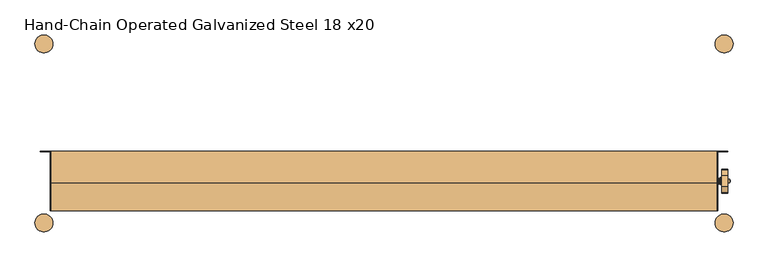
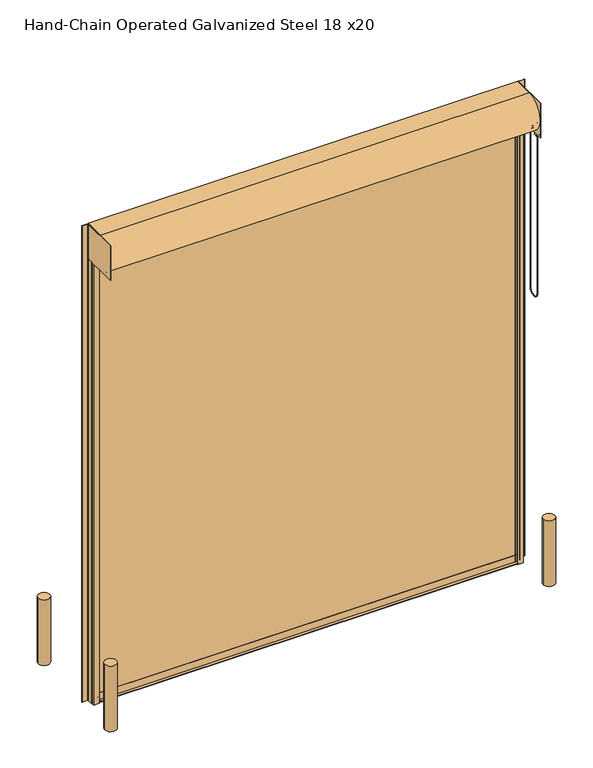
"""IFC4 building model written with IfcOpenShell, lengths in millimetres: door geometry, Hand-Chain Operated Galvanized Steel 18 x20."""

from ifc_helpers import new_model, si_unit, point, frame, frame_2d, origin, origin_with_axes, place, context, project, spatial, polyline, circle_curve, ellipse_curve, trimmed, segment, composite_curve, outline, extrude, source, transform, mapped, element, save
from ifc_brep_helpers import plane_surface, cylinder_surface, revolved_surface, advanced_brep


def hand_chain_operated_galvanized_steel_18_x20_dceb3128(model_context):
    return source(origin(), model_context, "Body", "SolidModel", [
        extrude(outline(composite_curve([segment(trimmed(circle_curve(frame_2d((-1981.2, -762.0)), 76.2), [point((-2057.4, -762.0))], [point((-1905.0, -762.0))], False, "CARTESIAN"), True, "CONTINUOUS"), segment(trimmed(circle_curve(frame_2d((-1981.2, -762.0)), 76.2), [point((-1905.0, -762.0))], [point((-2057.4, -762.0))], False, "CARTESIAN"), True, "CONTINUOUS")], self_intersect=False)), origin_with_axes(), (0.0, 0.0, 1.0), 914.4),
        extrude(outline(composite_curve([segment(trimmed(circle_curve(frame_2d((3810.0, -762.0)), 76.2), [point((3733.8, -762.0))], [point((3886.2, -762.0))], False, "CARTESIAN"), True, "CONTINUOUS"), segment(trimmed(circle_curve(frame_2d((3810.0, -762.0)), 76.2), [point((3886.2, -762.0))], [point((3733.8, -762.0))], False, "CARTESIAN"), True, "CONTINUOUS")], self_intersect=False)), origin_with_axes(), (0.0, 0.0, 1.0), 914.4),
        extrude(outline(composite_curve([segment(trimmed(circle_curve(frame_2d((3810.0, 762.0)), 76.2), [point((3886.2, 762.0))], [point((3733.8, 762.0))], False, "CARTESIAN"), True, "CONTINUOUS"), segment(trimmed(circle_curve(frame_2d((3810.0, 762.0)), 76.2), [point((3733.8, 762.0))], [point((3886.2, 762.0))], False, "CARTESIAN"), True, "CONTINUOUS")], self_intersect=False)), origin_with_axes(), (0.0, 0.0, 1.0), 914.4),
        extrude(outline(composite_curve([segment(trimmed(circle_curve(frame_2d((-1981.2, 762.0)), 76.2), [point((-2057.4, 762.0))], [point((-1905.0, 762.0))], False, "CARTESIAN"), True, "CONTINUOUS"), segment(trimmed(circle_curve(frame_2d((-1981.2, 762.0)), 76.2), [point((-1905.0, 762.0))], [point((-2057.4, 762.0))], False, "CARTESIAN"), True, "CONTINUOUS")], self_intersect=False)), origin_with_axes(), (0.0, 0.0, 1.0), 914.4),
        extrude(outline(polyline([(-1928.8252, -660.4), (-1928.8252, -152.4), (-1922.4752, -152.4), (-1922.4752, -660.4), (-1928.8252, -660.4)])), frame((0.0, 0.0, 6172.2), z_axis=(0.0, 0.0, 1.0), x_axis=(1.0, 0.0, 0.0)), (0.0, 0.0, 1.0), 482.6),
        advanced_brep(
        [(3841.8309604, -455.9483399, 6281.6469387), (3841.8309604, -503.2375, 6158.4544649), (3841.8309604, -503.2375, 6103.6877303), (3841.8309604, -507.3066884, 6093.7069784), (3841.8309604, -505.5997, 6089.65), (3841.8309604, -465.9249, 6089.65), (3841.8309604, -464.2179116, 6093.7069784), (3841.8309604, -468.2871, 6103.6877303), (3841.8309604, -468.2871, 6108.7), (3841.8309604, -455.5871, 6121.4), (3841.8309604, -446.4352267, 6121.4), (3841.8309604, -366.3647733, 6121.4), (3841.8309604, -357.2129, 6121.4), (3841.8309604, -344.7479873, 6106.267727), (3841.8309604, -348.5820884, 6093.7069784), (3841.8309604, -346.8751, 6089.65), (3841.8309604, -307.2003, 6089.65), (3841.8309604, -305.4933116, 6093.7069784), (3841.8309604, -309.5625, 6103.6877303), (3841.8309604, -309.5625, 6156.6891105), (3841.8309604, -310.1951464, 6160.1025652), (3841.8309604, -356.8516601, 6281.6469387), (3841.8309604, -390.525, 6200.775), (3841.8309604, -422.275, 6200.775), (3791.0309604, -455.9483399, 6281.6469387), (3791.0309604, -356.8516601, 6281.6469387), (3791.0309604, -310.1951464, 6160.1025652), (3791.0309604, -309.5625, 6156.6891105), (3791.0309604, -309.5625, 6103.6877303), (3791.0309604, -305.4933116, 6093.7069784), (3791.0309604, -307.2003, 6089.65), (3791.0309604, -346.8751, 6089.65), (3791.0309604, -348.5820884, 6093.7069784), (3791.0309604, -344.7479873, 6106.267727), (3791.0309604, -357.2129, 6121.4), (3791.0309604, -366.3647733, 6121.4), (3791.0309604, -446.4352267, 6121.4), (3791.0309604, -455.5871, 6121.4), (3791.0309604, -468.2871, 6108.7), (3791.0309604, -468.2871, 6103.6877303), (3791.0309604, -464.2179116, 6093.7069784), (3791.0309604, -465.9249, 6089.65), (3791.0309604, -505.5997, 6089.65), (3791.0309604, -507.3066884, 6093.7069784), (3791.0309604, -503.2375, 6103.6877303), (3791.0309604, -503.2375, 6158.4544649), (3791.0309604, -406.4, 6220.3965), (3791.0309604, -406.4, 6182.2965), (3856.1184604, -422.275, 6200.775), (3856.1184604, -390.525, 6200.775), (3856.1184604, -406.4, 6191.8215), (3856.1184604, -406.4, 6210.8715), (3862.3875, -406.4, 6194.9965), (3862.3875, -406.4, 6207.6965), (3859.2125, -406.4, 6210.8715), (3859.2125, -406.4, 6191.8215), (3862.3875, -406.4, 6201.3465), (3757.6125, -406.4, 6175.9465), (3757.6125, -406.4, 6226.7465), (3757.6125, -406.4, 6201.3465), (3763.9625, -406.4, 6175.9465), (3763.9625, -406.4, 6226.7465), (3763.9625, -406.4, 6179.9089), (3763.9625, -406.4, 6222.7841), (3774.0971, -406.4, 6179.9089), (3774.0971, -406.4, 6222.7841), (3774.0971, -406.4, 6176.06715), (3774.0971, -406.4, 6226.62585), (3775.6846, -406.4, 6169.71715), (3775.6846, -406.4, 6232.97585), (3778.25, -406.4, 6169.71715), (3778.25, -406.4, 6232.97585), (3779.8375, -406.4, 6176.06715), (3779.8375, -406.4, 6226.62585), (3779.8375, -406.4, 6182.2965), (3779.8375, -406.4, 6220.3965)],
        [
            (0, 1),
            (1, 2),
            (2, 3, circle_curve(frame((3841.8309604, -517.5123, 6103.6877303), z_axis=(-1.0, 0.0, 0.0), x_axis=(0.0, 1.0, 0.0)), 14.2748)),
            (3, 4, circle_curve(frame((3841.8309604, -505.5997, 6092.0376), z_axis=(1.0, 0.0, 0.0), x_axis=(0.0, 1.0, 0.0)), 2.3876)),
            (4, 5),
            (5, 6, circle_curve(frame((3841.8309604, -465.9249, 6092.0376), z_axis=(1.0, 0.0, 0.0), x_axis=(0.0, 1.0, 0.0)), 2.3876)),
            (6, 7, circle_curve(frame((3841.8309604, -454.0123, 6103.6877303), z_axis=(-1.0, 0.0, 0.0), x_axis=(0.0, 1.0, 0.0)), 14.2748)),
            (7, 8),
            (8, 9, circle_curve(frame((3841.8309604, -455.5871, 6108.7), z_axis=(-1.0, 0.0, 0.0), x_axis=(0.0, 1.0, 0.0)), 12.7)),
            (9, 10),
            (10, 11, circle_curve(frame((3841.8309604, -406.4, 6200.775), z_axis=(1.0, 0.0, 0.0), x_axis=(0.0, 1.0, 0.0)), 88.9)),
            (11, 12),
            (12, 13, circle_curve(frame((3841.8309604, -357.2129, 6108.7), z_axis=(-1.0, 0.0, 0.0), x_axis=(0.0, 1.0, 0.0)), 12.7)),
            (13, 14, circle_curve(frame((3841.8309604, -358.7877, 6103.6877303), z_axis=(-1.0, 0.0, 0.0), x_axis=(0.0, 1.0, 0.0)), 14.2748)),
            (14, 15, circle_curve(frame((3841.8309604, -346.8751, 6092.0376), z_axis=(1.0, 0.0, 0.0), x_axis=(0.0, 1.0, 0.0)), 2.3876)),
            (15, 16),
            (16, 17, circle_curve(frame((3841.8309604, -307.2003, 6092.0376), z_axis=(1.0, 0.0, 0.0), x_axis=(0.0, 1.0, 0.0)), 2.3876)),
            (17, 18, circle_curve(frame((3841.8309604, -295.2877, 6103.6877303), z_axis=(-1.0, 0.0, 0.0), x_axis=(0.0, 1.0, 0.0)), 14.2748)),
            (18, 19),
            (19, 20, circle_curve(frame((3841.8309604, -319.0875, 6156.6891105), z_axis=(1.0, 0.0, 0.0), x_axis=(0.0, 1.0, 0.0)), 9.525)),
            (20, 21),
            (21, 0, circle_curve(frame((3841.8309604, -406.4, 6200.775), z_axis=(1.0, 0.0, 0.0), x_axis=(0.0, 1.0, 0.0)), 94.8436)),
            (22, 23, circle_curve(frame((3841.8309604, -406.4, 6200.775), z_axis=(-1.0, 0.0, 0.0), x_axis=(0.0, 1.0, 0.0)), 15.875)),
            (23, 22, circle_curve(frame((3841.8309604, -406.4, 6200.775), z_axis=(-1.0, 0.0, 0.0), x_axis=(0.0, 1.0, 0.0)), 15.875)),
            (24, 25, circle_curve(frame((3791.0309604, -406.4, 6200.775), z_axis=(-1.0, 0.0, 0.0), x_axis=(0.0, 1.0, 0.0)), 94.8436)),
            (25, 26),
            (26, 27, circle_curve(frame((3791.0309604, -319.0875, 6156.6891105), z_axis=(-1.0, 0.0, 0.0), x_axis=(0.0, 1.0, 0.0)), 9.525)),
            (27, 28),
            (28, 29, circle_curve(frame((3791.0309604, -295.2877, 6103.6877303), z_axis=(1.0, 0.0, 0.0), x_axis=(0.0, 1.0, 0.0)), 14.2748)),
            (29, 30, circle_curve(frame((3791.0309604, -307.2003, 6092.0376), z_axis=(-1.0, 0.0, 0.0), x_axis=(0.0, 1.0, 0.0)), 2.3876)),
            (30, 31),
            (31, 32, circle_curve(frame((3791.0309604, -346.8751, 6092.0376), z_axis=(-1.0, 0.0, 0.0), x_axis=(0.0, 1.0, 0.0)), 2.3876)),
            (32, 33, circle_curve(frame((3791.0309604, -358.7877, 6103.6877303), z_axis=(1.0, 0.0, 0.0), x_axis=(0.0, 1.0, 0.0)), 14.2748)),
            (33, 34, circle_curve(frame((3791.0309604, -357.2129, 6108.7), z_axis=(1.0, 0.0, 0.0), x_axis=(0.0, 1.0, 0.0)), 12.7)),
            (34, 35),
            (35, 36, circle_curve(frame((3791.0309604, -406.4, 6200.775), z_axis=(-1.0, 0.0, 0.0), x_axis=(0.0, 1.0, 0.0)), 88.9)),
            (36, 37),
            (37, 38, circle_curve(frame((3791.0309604, -455.5871, 6108.7), z_axis=(1.0, 0.0, 0.0), x_axis=(0.0, 1.0, 0.0)), 12.7)),
            (38, 39),
            (39, 40, circle_curve(frame((3791.0309604, -454.0123, 6103.6877303), z_axis=(1.0, 0.0, 0.0), x_axis=(0.0, 1.0, 0.0)), 14.2748)),
            (40, 41, circle_curve(frame((3791.0309604, -465.9249, 6092.0376), z_axis=(-1.0, 0.0, 0.0), x_axis=(0.0, 1.0, 0.0)), 2.3876)),
            (41, 42),
            (42, 43, circle_curve(frame((3791.0309604, -505.5997, 6092.0376), z_axis=(-1.0, 0.0, 0.0), x_axis=(0.0, 1.0, 0.0)), 2.3876)),
            (43, 44, circle_curve(frame((3791.0309604, -517.5123, 6103.6877303), z_axis=(1.0, 0.0, 0.0), x_axis=(0.0, 1.0, 0.0)), 14.2748)),
            (44, 45),
            (45, 24),
            (46, 47, circle_curve(frame((3791.0309604, -406.4, 6201.3465), z_axis=(1.0, 0.0, 0.0), x_axis=(0.0, 0.0, 1.0)), 19.05)),
            (47, 46, circle_curve(frame((3791.0309604, -406.4, 6201.3465), z_axis=(1.0, 0.0, 0.0), x_axis=(0.0, 0.0, 1.0)), 19.05)),
            (0, 24),
            (45, 1),
            (44, 2),
            (43, 3),
            (42, 4),
            (41, 5),
            (40, 6),
            (39, 7),
            (38, 8),
            (37, 9),
            (36, 10),
            (35, 11),
            (34, 12),
            (33, 13),
            (32, 14),
            (31, 15),
            (30, 16),
            (29, 17),
            (28, 18),
            (27, 19),
            (26, 20),
            (25, 21),
            (48, 49, circle_curve(frame((3856.1184604, -406.4, 6200.775), z_axis=(1.0, 0.0, 0.0), x_axis=(0.0, 1.0, 0.0)), 15.875)),
            (49, 48, circle_curve(frame((3856.1184604, -406.4, 6200.775), z_axis=(1.0, 0.0, 0.0), x_axis=(0.0, 1.0, 0.0)), 15.875)),
            (50, 51, circle_curve(frame((3856.1184604, -406.4, 6201.3465), z_axis=(-1.0, 0.0, 0.0), x_axis=(0.0, 0.0, 1.0)), 9.525)),
            (51, 50, circle_curve(frame((3856.1184604, -406.4, 6201.3465), z_axis=(-1.0, 0.0, 0.0), x_axis=(0.0, 0.0, 1.0)), 9.525)),
            (48, 23),
            (22, 49),
            (52, 53, circle_curve(frame((3862.3875, -406.4, 6201.3465), z_axis=(-1.0, 0.0, 0.0), x_axis=(0.0, 0.0, 1.0)), 6.35)),
            (53, 54),
            (54, 55, circle_curve(frame((3859.2125, -406.4, 6201.3465), z_axis=(1.0, 0.0, 0.0), x_axis=(0.0, 0.0, 1.0)), 9.525)),
            (55, 52),
            (53, 52, circle_curve(frame((3862.3875, -406.4, 6201.3465), z_axis=(-1.0, 0.0, 0.0), x_axis=(0.0, 0.0, 1.0)), 6.35)),
            (55, 54, circle_curve(frame((3859.2125, -406.4, 6201.3465), z_axis=(1.0, 0.0, 0.0), x_axis=(0.0, 0.0, 1.0)), 9.525)),
            (52, 56),
            (56, 53),
            (54, 51),
            (50, 55),
            (57, 58, circle_curve(frame((3757.6125, -406.4, 6201.3465), z_axis=(-1.0, 0.0, 0.0), x_axis=(0.0, 0.0, 1.0)), 25.4)),
            (58, 59),
            (59, 57),
            (58, 57, circle_curve(frame((3757.6125, -406.4, 6201.3465), z_axis=(-1.0, 0.0, 0.0), x_axis=(0.0, 0.0, 1.0)), 25.4)),
            (57, 60),
            (60, 61, circle_curve(frame((3763.9625, -406.4, 6201.3465), z_axis=(-1.0, 0.0, 0.0), x_axis=(0.0, 0.0, 1.0)), 25.4)),
            (61, 58),
            (61, 60, circle_curve(frame((3763.9625, -406.4, 6201.3465), z_axis=(-1.0, 0.0, 0.0), x_axis=(0.0, 0.0, 1.0)), 25.4)),
            (60, 62),
            (62, 63, circle_curve(frame((3763.9625, -406.4, 6201.3465), z_axis=(-1.0, 0.0, 0.0), x_axis=(0.0, 0.0, 1.0)), 21.4376)),
            (63, 61),
            (63, 62, circle_curve(frame((3763.9625, -406.4, 6201.3465), z_axis=(-1.0, 0.0, 0.0), x_axis=(0.0, 0.0, 1.0)), 21.4376)),
            (62, 64),
            (64, 65, circle_curve(frame((3774.0971, -406.4, 6201.3465), z_axis=(-1.0, 0.0, 0.0), x_axis=(0.0, 0.0, 1.0)), 21.4376)),
            (65, 63),
            (65, 64, circle_curve(frame((3774.0971, -406.4, 6201.3465), z_axis=(-1.0, 0.0, 0.0), x_axis=(0.0, 0.0, 1.0)), 21.4376)),
            (64, 66),
            (66, 67, circle_curve(frame((3774.0971, -406.4, 6201.3465), z_axis=(-1.0, 0.0, 0.0), x_axis=(0.0, 0.0, 1.0)), 25.27935)),
            (67, 65),
            (67, 66, circle_curve(frame((3774.0971, -406.4, 6201.3465), z_axis=(-1.0, 0.0, 0.0), x_axis=(0.0, 0.0, 1.0)), 25.27935)),
            (66, 68),
            (68, 69, circle_curve(frame((3775.6846, -406.4, 6201.3465), z_axis=(-1.0, 0.0, 0.0), x_axis=(0.0, 0.0, 1.0)), 31.62935)),
            (69, 67),
            (69, 68, circle_curve(frame((3775.6846, -406.4, 6201.3465), z_axis=(-1.0, 0.0, 0.0), x_axis=(0.0, 0.0, 1.0)), 31.62935)),
            (68, 70),
            (70, 71, circle_curve(frame((3778.25, -406.4, 6201.3465), z_axis=(-1.0, 0.0, 0.0), x_axis=(0.0, 0.0, 1.0)), 31.62935)),
            (71, 69),
            (71, 70, circle_curve(frame((3778.25, -406.4, 6201.3465), z_axis=(-1.0, 0.0, 0.0), x_axis=(0.0, 0.0, 1.0)), 31.62935)),
            (70, 72),
            (72, 73, circle_curve(frame((3779.8375, -406.4, 6201.3465), z_axis=(-1.0, 0.0, 0.0), x_axis=(0.0, 0.0, 1.0)), 25.27935)),
            (73, 71),
            (73, 72, circle_curve(frame((3779.8375, -406.4, 6201.3465), z_axis=(-1.0, 0.0, 0.0), x_axis=(0.0, 0.0, 1.0)), 25.27935)),
            (72, 74),
            (74, 75, circle_curve(frame((3779.8375, -406.4, 6201.3465), z_axis=(-1.0, 0.0, 0.0), x_axis=(0.0, 0.0, 1.0)), 19.05)),
            (75, 73),
            (75, 74, circle_curve(frame((3779.8375, -406.4, 6201.3465), z_axis=(-1.0, 0.0, 0.0), x_axis=(0.0, 0.0, 1.0)), 19.05)),
            (74, 47),
            (46, 75),
        ],
        [
            plane_surface(frame((3841.8309604, -456.1174554, 6281.2063779), z_axis=(1.0, 0.0, 0.0), x_axis=(0.0, -0.3583679495453003, -0.9335804264972017))),
            plane_surface(frame((3791.0309604, -456.1174554, 6281.2063779), z_axis=(-1.0, 0.0, 0.0), x_axis=(0.0, 0.3583679495453003, 0.9335804264972017))),
            plane_surface(frame((3841.8309604, -455.9483399, 6281.6469387), z_axis=(0.0, -0.9335804264972017, 0.3583679495453003), x_axis=(-1.0, 0.0, 0.0))),
            plane_surface(frame((3841.8309604, -503.2375, 6158.4544649), z_axis=(0.0, -1.0, 0.0), x_axis=(-1.0, 0.0, 0.0))),
            revolved_surface(polyline([(3791.0309604, -503.23749999999995, 6103.6877303), (3841.8309604, -503.23749999999995, 6103.6877303)]), (3791.0309604, -517.5123, 6103.6877303), (-1.0, 0.0, 0.0)),
            cylinder_surface(frame((3791.0309604, -505.5997, 6092.0376), z_axis=(1.0, 0.0, 0.0), x_axis=(0.0, 1.0, 0.0)), 2.3876),
            plane_surface(frame((3841.8309604, -505.5997, 6089.65), z_axis=(0.0, 0.0, -1.0), x_axis=(-1.0, 0.0, 0.0))),
            cylinder_surface(frame((3791.0309604, -465.9249, 6092.0376), z_axis=(1.0, 0.0, 0.0), x_axis=(0.0, 1.0, 0.0)), 2.3876),
            revolved_surface(polyline([(3791.0309604, -439.73749999999995, 6103.6877303), (3841.8309604, -439.73749999999995, 6103.6877303)]), (3791.0309604, -454.0123, 6103.6877303), (-1.0, 0.0, 0.0)),
            plane_surface(frame((3841.8309604, -468.2871, 6103.6877303), z_axis=(0.0, 1.0, 0.0), x_axis=(-1.0, 0.0, 0.0))),
            revolved_surface(polyline([(3791.0309604, -442.88710000000003, 6108.7), (3841.8309604, -442.88710000000003, 6108.7)]), (3791.0309604, -455.5871, 6108.7), (-1.0, 0.0, 0.0)),
            plane_surface(frame((3841.8309604, -455.5871, 6121.4), z_axis=(0.0, 0.0, -1.0), x_axis=(-1.0, 0.0, 0.0))),
            cylinder_surface(frame((3791.0309604, -406.4, 6200.775), z_axis=(1.0, 0.0, 0.0), x_axis=(0.0, 1.0, 0.0)), 88.9),
            plane_surface(frame((3841.8309604, -366.3647733, 6121.4), z_axis=(0.0, 0.0, -1.0), x_axis=(-1.0, 0.0, 0.0))),
            revolved_surface(polyline([(3791.0309604, -344.5129, 6108.7), (3841.8309604, -344.5129, 6108.7)]), (3791.0309604, -357.2129, 6108.7), (-1.0, 0.0, 0.0)),
            revolved_surface(polyline([(3791.0309604, -344.51289999999995, 6103.6877303), (3841.8309604, -344.51289999999995, 6103.6877303)]), (3791.0309604, -358.7877, 6103.6877303), (-1.0, 0.0, 0.0)),
            cylinder_surface(frame((3791.0309604, -346.8751, 6092.0376), z_axis=(1.0, 0.0, 0.0), x_axis=(0.0, 1.0, 0.0)), 2.3876),
            plane_surface(frame((3841.8309604, -346.8751, 6089.65), z_axis=(0.0, 0.0, -1.0), x_axis=(-1.0, 0.0, 0.0))),
            cylinder_surface(frame((3791.0309604, -307.2003, 6092.0376), z_axis=(1.0, 0.0, 0.0), x_axis=(0.0, 1.0, 0.0)), 2.3876),
            revolved_surface(polyline([(3791.0309604, -281.01289999999995, 6103.6877303), (3841.8309604, -281.01289999999995, 6103.6877303)]), (3791.0309604, -295.2877, 6103.6877303), (-1.0, 0.0, 0.0)),
            plane_surface(frame((3841.8309604, -309.5625, 6103.6877303), z_axis=(0.0, 1.0, 0.0), x_axis=(-1.0, 0.0, 0.0))),
            cylinder_surface(frame((3791.0309604, -319.0875, 6156.6891105), z_axis=(1.0, 0.0, 0.0), x_axis=(0.0, 1.0, 0.0)), 9.525),
            plane_surface(frame((3841.8309604, -310.1951464, 6160.1025652), z_axis=(0.0, 0.9335804264972019, 0.35836794954530005), x_axis=(-1.0, 0.0, 0.0))),
            cylinder_surface(frame((3791.0309604, -406.4, 6200.775), z_axis=(1.0, 0.0, 0.0), x_axis=(0.0, 1.0, 0.0)), 94.8436),
            plane_surface(frame((3856.1184604, -390.525, 6200.775), z_axis=(1.0, 0.0, 0.0), x_axis=(0.0, 0.0, 1.0))),
            cylinder_surface(frame((3825.9305604, -406.4, 6200.775), z_axis=(1.0, 0.0, 0.0), x_axis=(0.0, 1.0, 0.0)), 15.875),
            revolved_surface(polyline([(3859.2125, -406.4, 6210.8715), (3862.3875, -406.4, 6207.6965)]), (3791.0309604, -406.4, 6201.3465), (1.0, 0.0, 0.0)),
            plane_surface(frame((3862.3875, -406.4, 6201.3465), z_axis=(1.0, 0.0, 0.0), x_axis=(0.0, 0.0, 1.0))),
            cylinder_surface(frame((3791.0309604, -406.4, 6201.3465), z_axis=(1.0, 0.0, 0.0), x_axis=(0.0, 0.0, 1.0)), 9.525),
            plane_surface(frame((3757.6125, -406.4, 6201.3465), z_axis=(-1.0, 0.0, 0.0), x_axis=(0.0, 0.0, 1.0))),
            cylinder_surface(frame((3791.0309604, -406.4, 6201.3465), z_axis=(1.0, 0.0, 0.0), x_axis=(0.0, 0.0, 1.0)), 25.4),
            plane_surface(frame((3763.9625, -406.4, 6201.3465), z_axis=(1.0, 0.0, 0.0), x_axis=(0.0, 0.0, 1.0))),
            cylinder_surface(frame((3791.0309604, -406.4, 6201.3465), z_axis=(1.0, 0.0, 0.0), x_axis=(0.0, 0.0, 1.0)), 21.4376),
            plane_surface(frame((3774.0971, -406.4, 6201.3465), z_axis=(-1.0, 0.0, 0.0), x_axis=(0.0, 0.0, 1.0))),
            revolved_surface(polyline([(3774.0971, -406.4, 6226.62585), (3775.6846, -406.4, 6232.97585)]), (3791.0309604, -406.4, 6201.3465), (1.0, 0.0, 0.0)),
            cylinder_surface(frame((3791.0309604, -406.4, 6201.3465), z_axis=(1.0, 0.0, 0.0), x_axis=(0.0, 0.0, 1.0)), 31.62935),
            revolved_surface(polyline([(3778.25, -406.4, 6232.97585), (3779.8375, -406.4, 6226.62585)]), (3791.0309604, -406.4, 6201.3465), (1.0, 0.0, 0.0)),
            plane_surface(frame((3779.8375, -406.4, 6201.3465), z_axis=(1.0, 0.0, 0.0), x_axis=(0.0, 0.0, 1.0))),
            cylinder_surface(frame((3791.0309604, -406.4, 6201.3465), z_axis=(1.0, 0.0, 0.0), x_axis=(0.0, 0.0, 1.0)), 19.05),
        ],
        [
            (0, [[1, 2, 3, 4, 5, 6, 7, 8, 9, 10, 11, 12, 13, 14, 15, 16, 17, 18, 19, 20, 21, 22], [23, 24]]),
            (1, [[25, 26, 27, 28, 29, 30, 31, 32, 33, 34, 35, 36, 37, 38, 39, 40, 41, 42, 43, 44, 45, 46], [47, 48]]),
            (2, [[-1, 49, -46, 50]]),
            (3, [[-2, -50, -45, 51]]),
            (4, [[-3, -51, -44, 52]]),
            (5, [[-4, -52, -43, 53]]),
            (6, [[-5, -53, -42, 54]]),
            (7, [[-6, -54, -41, 55]]),
            (8, [[-7, -55, -40, 56]]),
            (9, [[-8, -56, -39, 57]]),
            (10, [[-9, -57, -38, 58]]),
            (11, [[-10, -58, -37, 59]]),
            (12, [[-11, -59, -36, 60]]),
            (13, [[-12, -60, -35, 61]]),
            (14, [[-13, -61, -34, 62]]),
            (15, [[-14, -62, -33, 63]]),
            (16, [[-15, -63, -32, 64]]),
            (17, [[-16, -64, -31, 65]]),
            (18, [[-17, -65, -30, 66]]),
            (19, [[-18, -66, -29, 67]]),
            (20, [[-19, -67, -28, 68]]),
            (21, [[-20, -68, -27, 69]]),
            (22, [[-21, -69, -26, 70]]),
            (23, [[-22, -70, -25, -49]]),
            (24, [[71, 72], [73, 74]]),
            (25, [[-71, 75, -23, 76]]),
            (25, [[-72, -76, -24, -75]]),
            (26, [[77, 78, 79, 80]]),
            (26, [[-78, 81, -80, 82]]),
            (27, [[-77, 83, 84]]),
            (27, [[-81, -84, -83]]),
            (28, [[-79, 85, -73, 86]]),
            (28, [[-82, -86, -74, -85]]),
            (29, [[87, 88, 89]]),
            (29, [[-88, 90, -89]]),
            (30, [[-87, 91, 92, 93]]),
            (30, [[-90, -93, 94, -91]]),
            (31, [[-92, 95, 96, 97]]),
            (31, [[-94, -97, 98, -95]]),
            (32, [[-96, 99, 100, 101]]),
            (32, [[-98, -101, 102, -99]]),
            (33, [[-100, 103, 104, 105]]),
            (33, [[-102, -105, 106, -103]]),
            (34, [[-104, 107, 108, 109]]),
            (34, [[-106, -109, 110, -107]]),
            (35, [[-108, 111, 112, 113]]),
            (35, [[-110, -113, 114, -111]]),
            (36, [[-112, 115, 116, 117]]),
            (36, [[-114, -117, 118, -115]]),
            (37, [[-116, 119, 120, 121]]),
            (37, [[-118, -121, 122, -119]]),
            (38, [[-120, 123, -47, 124]]),
            (38, [[-122, -124, -48, -123]]),
        ],
    ),
        advanced_brep(
        [(3820.1659087, -328.6125, 6172.2), (3812.5340913, -328.6125, 6172.2), (3820.1659087, -328.6125, 3873.5), (3812.5340913, -328.6125, 3873.5), (3812.5340913, -487.3625, 3873.5), (3820.1659087, -487.3625, 3873.5), (3820.1659087, -487.3625, 6172.2), (3812.5340913, -487.3625, 6172.2)],
        [
            (0, 1, circle_curve(frame((3816.35, -328.6125, 6172.2), z_axis=(0.0, 0.0, 1.0), x_axis=(-1.0, 0.0, 0.0)), 3.8159087)),
            (1, 0, circle_curve(frame((3816.35, -328.6125, 6172.2), z_axis=(0.0, 0.0, 1.0), x_axis=(-1.0, 0.0, 0.0)), 3.8159087)),
            (0, 2),
            (2, 3, circle_curve(frame((3816.35, -328.6125, 3873.5), z_axis=(0.0, 0.0, 1.0), x_axis=(-1.0, 0.0, 0.0)), 3.8159087)),
            (3, 1),
            (3, 2, circle_curve(frame((3816.35, -328.6125, 3873.5), z_axis=(0.0, 0.0, 1.0), x_axis=(-1.0, 0.0, 0.0)), 3.8159087)),
            (4, 3, circle_curve(frame((3812.5340913, -407.9875, 3873.5), z_axis=(1.0, 0.0, 0.0), x_axis=(0.0, 1.0, 0.0)), 79.375)),
            (2, 5, circle_curve(frame((3820.1659087, -407.9875, 3873.5), z_axis=(-1.0, 0.0, 0.0), x_axis=(0.0, 1.0, 0.0)), 79.375)),
            (5, 4, circle_curve(frame((3816.35, -487.3625, 3873.5), z_axis=(0.0, 0.0, -1.0), x_axis=(-1.0, 0.0, 0.0)), 3.8159087)),
            (4, 5, circle_curve(frame((3816.35, -487.3625, 3873.5), z_axis=(0.0, 0.0, -1.0), x_axis=(-1.0, 0.0, 0.0)), 3.8159087)),
            (6, 7, circle_curve(frame((3816.35, -487.3625, 6172.2), z_axis=(0.0, 0.0, 1.0), x_axis=(-1.0, 0.0, 0.0)), 3.8159087)),
            (7, 6, circle_curve(frame((3816.35, -487.3625, 6172.2), z_axis=(0.0, 0.0, 1.0), x_axis=(-1.0, 0.0, 0.0)), 3.8159087)),
            (5, 6),
            (7, 4),
        ],
        [
            plane_surface(frame((3816.35, -328.6125, 6172.2), z_axis=(0.0, 0.0, 1.0), x_axis=(-1.0, 0.0, 0.0))),
            cylinder_surface(frame((3816.35, -328.6125, 6172.2), z_axis=(0.0, 0.0, 1.0), x_axis=(-1.0, 0.0, 0.0)), 3.8159087),
            revolved_surface(trimmed(ellipse_curve(frame((3816.35, -328.6125, 3873.5), z_axis=(0.0, 0.0, 1.0), x_axis=(-1.0, 0.0, 0.0)), 3.8159087, 3.8159087), [point((3820.1659087, -328.6125, 3873.5))], [point((3812.5340913, -328.6125, 3873.5))], True, "CARTESIAN"), (3816.35, -407.9875, 3873.5), (-1.0, 0.0, 0.0)),
            revolved_surface(trimmed(ellipse_curve(frame((3816.35, -328.6125, 3873.5), z_axis=(0.0, 0.0, 1.0), x_axis=(-1.0, 0.0, 0.0)), 3.8159087, 3.8159087), [point((3812.5340913, -328.6125, 3873.5))], [point((3820.1659087, -328.6125, 3873.5))], True, "CARTESIAN"), (3816.35, -407.9875, 3873.5), (-1.0, 0.0, 0.0)),
            plane_surface(frame((3816.35, -487.3625, 6172.2), z_axis=(0.0, 0.0, 1.0), x_axis=(-1.0, 0.0, 0.0))),
            cylinder_surface(frame((3816.35, -487.3625, 3873.5), z_axis=(0.0, 0.0, -1.0), x_axis=(-1.0, 0.0, 0.0)), 3.8159087),
        ],
        [
            (0, [[1, 2]]),
            (1, [[-1, 3, 4, 5]]),
            (1, [[-2, -5, 6, -3]]),
            (2, [[7, -4, 8, 9]]),
            (3, [[-8, -6, -7, 10]]),
            (4, [[11, 12]]),
            (5, [[-9, 13, -12, 14]]),
            (5, [[-10, -14, -11, -13]]),
        ],
    ),
        extrude(outline(polyline([(3757.6125, -152.4), (3757.6125, -660.4), (3751.2625, -660.4), (3751.2625, -152.4), (3757.6125, -152.4)])), frame((0.0, 0.0, 6172.2), z_axis=(0.0, 0.0, 1.0), x_axis=(1.0, 0.0, 0.0)), (0.0, 0.0, 1.0), 482.6),
        advanced_brep(
        [(3757.6252, -238.125, 6172.2), (3757.6252, -161.925, 6172.2), (3757.6252, -152.4, 6172.2), (3751.2752, -152.4, 6172.2), (3751.2752, -241.3, 6172.2), (3754.4502, -241.3, 6172.2), (3751.2752, -152.4, 0.0), (3840.1752, -152.4, 0.0), (3840.1752, -155.575, 0.0), (3837.0002, -158.75, 0.0), (3760.8002, -158.75, 0.0), (3757.6252, -161.925, 0.0), (3757.6252, -238.125, 0.0), (3754.4502, -241.3, 0.0), (3751.2752, -241.3, 0.0), (3757.6252, -152.4, 6654.8), (3840.1752, -152.4, 6654.8), (3760.8002, -158.75, 6654.8), (3837.0002, -158.75, 6654.8), (3840.1752, -155.575, 6654.8), (3757.6252, -161.925, 6654.8)],
        [
            (0, 1),
            (1, 2),
            (2, 3),
            (3, 4),
            (4, 5),
            (5, 0, circle_curve(frame((3754.4502, -238.125, 6172.2), z_axis=(0.0, 0.0, 1.0), x_axis=(-1.0, 0.0, 0.0)), 3.175)),
            (6, 7),
            (7, 8),
            (8, 9, circle_curve(frame((3837.0002, -155.575, 0.0), z_axis=(0.0, 0.0, -1.0), x_axis=(-1.0, 0.0, 0.0)), 3.175)),
            (9, 10),
            (10, 11, circle_curve(frame((3760.8002, -161.925, 0.0), z_axis=(0.0, 0.0, 1.0), x_axis=(-1.0, 0.0, 0.0)), 3.175)),
            (11, 12),
            (12, 13, circle_curve(frame((3754.4502, -238.125, 0.0), z_axis=(0.0, 0.0, -1.0), x_axis=(-1.0, 0.0, 0.0)), 3.175)),
            (13, 14),
            (14, 6),
            (11, 1),
            (0, 12),
            (5, 13),
            (4, 14),
            (3, 6),
            (2, 15),
            (15, 16),
            (16, 7),
            (17, 18),
            (18, 19, circle_curve(frame((3837.0002, -155.575, 6654.8), z_axis=(0.0, 0.0, 1.0), x_axis=(-1.0, 0.0, 0.0)), 3.175)),
            (19, 16),
            (15, 20),
            (20, 17, circle_curve(frame((3760.8002, -161.925, 6654.8), z_axis=(0.0, 0.0, -1.0), x_axis=(-1.0, 0.0, 0.0)), 3.175)),
            (20, 1),
            (10, 17),
            (19, 8),
            (18, 9),
        ],
        [
            plane_surface(frame((3751.2752, -238.125, 6172.2), z_axis=(0.0, 0.0, 1.0), x_axis=(0.0, 1.0, 0.0))),
            plane_surface(frame((3751.2752, -238.125, 0.0), z_axis=(0.0, 0.0, -1.0), x_axis=(0.0, -1.0, 0.0))),
            plane_surface(frame((3757.6252, -152.4, 6172.2), z_axis=(1.0, 0.0, 0.0), x_axis=(0.0, 0.0, -1.0))),
            cylinder_surface(frame((3754.4502, -238.125, 0.0), z_axis=(0.0, 0.0, 1.0), x_axis=(-1.0, 0.0, 0.0)), 3.175),
            plane_surface(frame((3754.4502, -241.3, 6172.2), z_axis=(0.0, -1.0, 0.0), x_axis=(0.0, 0.0, -1.0))),
            plane_surface(frame((3751.2752, -241.3, 6172.2), z_axis=(-1.0, 0.0, 0.0), x_axis=(0.0, 0.0, -1.0))),
            plane_surface(frame((3751.2752, -152.4, 6172.2), z_axis=(0.0, 1.0, 0.0), x_axis=(0.0, 0.0, -1.0))),
            plane_surface(frame((3757.6252, -161.925, 6654.8), z_axis=(0.0, 0.0, 1.0), x_axis=(0.0, -1.0, 0.0))),
            revolved_surface(polyline([(3757.6252, -161.925, 0.0), (3757.6252, -161.925, 6654.8)]), (3760.8002, -161.925, 0.0), (0.0, 0.0, -1.0)),
            plane_surface(frame((3757.6252, -161.925, 6654.8), z_axis=(-1.0, 0.0, 0.0), x_axis=(0.0, 0.0, -1.0))),
            plane_surface(frame((3840.1752, -152.4, 6654.8), z_axis=(1.0, 0.0, 0.0), x_axis=(0.0, 0.0, -1.0))),
            cylinder_surface(frame((3837.0002, -155.575, 0.0), z_axis=(0.0, 0.0, 1.0), x_axis=(-1.0, 0.0, 0.0)), 3.175),
            plane_surface(frame((3837.0002, -158.75, 6654.8), z_axis=(0.0, -1.0, 0.0), x_axis=(0.0, 0.0, -1.0))),
        ],
        [
            (0, [[1, 2, 3, 4, 5, 6]]),
            (1, [[7, 8, 9, 10, 11, 12, 13, 14, 15]]),
            (2, [[-12, 16, -1, 17]]),
            (3, [[18, -13, -17, -6]]),
            (4, [[19, -14, -18, -5]]),
            (5, [[20, -15, -19, -4]]),
            (6, [[21, 22, 23, -7, -20, -3]]),
            (7, [[24, 25, 26, -22, 27, 28]]),
            (8, [[29, -16, -11, 30, -28]]),
            (9, [[-21, -2, -29, -27]]),
            (10, [[31, -8, -23, -26]]),
            (11, [[32, -9, -31, -25]]),
            (12, [[-30, -10, -32, -24]]),
        ],
    ),
        extrude(outline(composite_curve([segment(trimmed(circle_curve(frame_2d((3744.1314515, -265.9062498)), 2.38125), [point((3744.1314515, -268.2874998))], [point((3746.5127015, -265.9062498))], True, "CARTESIAN"), True, "CONTINUOUS"), segment(polyline([(3746.5127015, -265.9062498), (3746.5127015, -199.2312498)]), True, "CONTINUOUS"), segment(trimmed(circle_curve(frame_2d((3748.8939515, -199.2312498)), 2.38125), [point((3746.5127015, -199.2312498))], [point((3748.8939515, -196.8499998))], False, "CARTESIAN"), True, "CONTINUOUS"), segment(polyline([(3748.8939515, -196.8499998), (3751.2752015, -196.8499998), (3751.2752015, -273.0499998), (3675.0752015, -273.0499998), (3675.0752015, -270.6687498)]), True, "CONTINUOUS"), segment(trimmed(circle_curve(frame_2d((3677.4564515, -270.6687498)), 2.38125), [point((3675.0752015, -270.6687498))], [point((3677.4564515, -268.2874998))], False, "CARTESIAN"), True, "CONTINUOUS"), segment(polyline([(3677.4564515, -268.2874998), (3744.1314515, -268.2874998)]), True, "CONTINUOUS")], self_intersect=False)), origin_with_axes(), (0.0, 0.0, 1.0), 6172.2),
        extrude(outline(composite_curve([segment(polyline([(3670.3127015, -233.3624998), (3670.3127015, -230.9812498)]), True, "CONTINUOUS"), segment(trimmed(circle_curve(frame_2d((3672.6939515, -230.9812498)), 2.38125), [point((3670.3127015, -230.9812498))], [point((3672.6939515, -228.5999998))], False, "CARTESIAN"), True, "CONTINUOUS"), segment(polyline([(3672.6939515, -228.5999998), (3739.3689515, -228.5999998)]), True, "CONTINUOUS"), segment(trimmed(circle_curve(frame_2d((3739.3689515, -226.2187498)), 2.38125), [point((3739.3689515, -228.5999998))], [point((3741.7502015, -226.2187498))], True, "CARTESIAN"), True, "CONTINUOUS"), segment(polyline([(3741.7502015, -226.2187498), (3741.7502015, -184.9437498)]), True, "CONTINUOUS"), segment(trimmed(circle_curve(frame_2d((3744.1314515, -184.9437498)), 2.38125), [point((3741.7502015, -184.9437498))], [point((3744.1314515, -182.5624998))], False, "CARTESIAN"), True, "CONTINUOUS"), segment(polyline([(3744.1314515, -182.5624998), (3746.5127015, -182.5624998), (3746.5127015, -233.3624998), (3670.3127015, -233.3624998)]), True, "CONTINUOUS")], self_intersect=False)), origin_with_axes(), (0.0, 0.0, 1.0), 6172.2),
        advanced_brep(
        [(-1928.8252, -238.125, 6172.2), (-1925.6502, -241.3, 6172.2), (-1922.4752, -241.3, 6172.2), (-1922.4752, -152.4, 6172.2), (-1928.8252, -152.4, 6172.2), (-1928.8252, -161.925, 6172.2), (-1922.4752, -152.4, 0.0), (-1922.4752, -241.3, 0.0), (-1925.6502, -241.3, 0.0), (-1928.8252, -238.125, 0.0), (-1928.8252, -161.925, 0.0), (-1932.0002, -158.75, 0.0), (-2008.2002, -158.75, 0.0), (-2011.3752, -155.575, 0.0), (-2011.3752, -152.4, 0.0), (-2011.3752, -152.4, 6654.8), (-1928.8252, -152.4, 6654.8), (-1932.0002, -158.75, 6654.8), (-1928.8252, -161.925, 6654.8), (-2011.3752, -155.575, 6654.8), (-2008.2002, -158.75, 6654.8)],
        [
            (0, 1, circle_curve(frame((-1925.6502, -238.125, 6172.2), z_axis=(0.0, 0.0, 1.0), x_axis=(1.0, 0.0, 0.0)), 3.175)),
            (1, 2),
            (2, 3),
            (3, 4),
            (4, 5),
            (5, 0),
            (6, 7),
            (7, 8),
            (8, 9, circle_curve(frame((-1925.6502, -238.125, 0.0), z_axis=(0.0, 0.0, -1.0), x_axis=(1.0, 0.0, 0.0)), 3.175)),
            (9, 10),
            (10, 11, circle_curve(frame((-1932.0002, -161.925, 0.0), z_axis=(0.0, 0.0, 1.0), x_axis=(1.0, 0.0, 0.0)), 3.175)),
            (11, 12),
            (12, 13, circle_curve(frame((-2008.2002, -155.575, 0.0), z_axis=(0.0, 0.0, -1.0), x_axis=(1.0, 0.0, 0.0)), 3.175)),
            (13, 14),
            (14, 6),
            (0, 9),
            (8, 1),
            (7, 2),
            (6, 3),
            (14, 15),
            (15, 16),
            (16, 4),
            (5, 10),
            (17, 18, circle_curve(frame((-1932.0002, -161.925, 6654.8), z_axis=(0.0, 0.0, -1.0), x_axis=(1.0, 0.0, 0.0)), 3.175)),
            (18, 16),
            (15, 19),
            (19, 20, circle_curve(frame((-2008.2002, -155.575, 6654.8), z_axis=(0.0, 0.0, 1.0), x_axis=(1.0, 0.0, 0.0)), 3.175)),
            (20, 17),
            (17, 11),
            (5, 18),
            (13, 19),
            (12, 20),
        ],
        [
            plane_surface(frame((-1922.4752, -238.125, 6172.2), z_axis=(0.0, 0.0, 1.0), x_axis=(0.0, 1.0, 0.0))),
            plane_surface(frame((-1922.4752, -238.125, 0.0), z_axis=(0.0, 0.0, -1.0), x_axis=(0.0, -1.0, 0.0))),
            cylinder_surface(frame((-1925.6502, -238.125, 0.0), z_axis=(0.0, 0.0, 1.0), x_axis=(1.0, 0.0, 0.0)), 3.175),
            plane_surface(frame((-1925.6502, -241.3, 6172.2), z_axis=(0.0, -1.0, 0.0), x_axis=(0.0, 0.0, -1.0))),
            plane_surface(frame((-1922.4752, -241.3, 6172.2), z_axis=(1.0, 0.0, 0.0), x_axis=(0.0, 0.0, -1.0))),
            plane_surface(frame((-1922.4752, -152.4, 6172.2), z_axis=(0.0, 1.0, 0.0), x_axis=(0.0, 0.0, -1.0))),
            plane_surface(frame((-1928.8252, -152.4, 6172.2), z_axis=(-1.0, 0.0, 0.0), x_axis=(0.0, 0.0, -1.0))),
            plane_surface(frame((-1928.8252, -161.925, 6654.8), z_axis=(0.0, 0.0, 1.0), x_axis=(0.0, -1.0, 0.0))),
            revolved_surface(polyline([(-1928.8252, -161.925, 0.0), (-1928.8252, -161.925, 6654.8)]), (-1932.0002, -161.925, 0.0), (0.0, 0.0, -1.0)),
            plane_surface(frame((-1928.8252, -161.925, 6654.8), z_axis=(1.0, 0.0, 0.0), x_axis=(0.0, 0.0, -1.0))),
            plane_surface(frame((-2011.3752, -152.4, 6654.8), z_axis=(-1.0, 0.0, 0.0), x_axis=(0.0, 0.0, -1.0))),
            cylinder_surface(frame((-2008.2002, -155.575, 0.0), z_axis=(0.0, 0.0, 1.0), x_axis=(1.0, 0.0, 0.0)), 3.175),
            plane_surface(frame((-2008.2002, -158.75, 6654.8), z_axis=(0.0, -1.0, 0.0), x_axis=(0.0, 0.0, -1.0))),
        ],
        [
            (0, [[1, 2, 3, 4, 5, 6]]),
            (1, [[7, 8, 9, 10, 11, 12, 13, 14, 15]]),
            (2, [[-1, 16, -9, 17]]),
            (3, [[-2, -17, -8, 18]]),
            (4, [[-3, -18, -7, 19]]),
            (5, [[-4, -19, -15, 20, 21, 22]]),
            (6, [[-16, -6, 23, -10]]),
            (7, [[24, 25, -21, 26, 27, 28]]),
            (8, [[-24, 29, -11, -23, 30]]),
            (9, [[-25, -30, -5, -22]]),
            (10, [[-26, -20, -14, 31]]),
            (11, [[-27, -31, -13, 32]]),
            (12, [[-28, -32, -12, -29]]),
        ],
    ),
        extrude(outline(composite_curve([segment(polyline([(-1915.3314515, -268.2874998), (-1848.6564515, -268.2874998)]), True, "CONTINUOUS"), segment(trimmed(circle_curve(frame_2d((-1848.6564515, -270.6687498)), 2.38125), [point((-1848.6564515, -268.2874998))], [point((-1846.2752015, -270.6687498))], False, "CARTESIAN"), True, "CONTINUOUS"), segment(polyline([(-1846.2752015, -270.6687498), (-1846.2752015, -273.0499998), (-1922.4752015, -273.0499998), (-1922.4752015, -196.8499998), (-1920.0939515, -196.8499998)]), True, "CONTINUOUS"), segment(trimmed(circle_curve(frame_2d((-1920.0939515, -199.2312498)), 2.38125), [point((-1920.0939515, -196.8499998))], [point((-1917.7127015, -199.2312498))], False, "CARTESIAN"), True, "CONTINUOUS"), segment(polyline([(-1917.7127015, -199.2312498), (-1917.7127015, -265.9062498)]), True, "CONTINUOUS"), segment(trimmed(circle_curve(frame_2d((-1915.3314515, -265.9062498)), 2.38125), [point((-1917.7127015, -265.9062498))], [point((-1915.3314515, -268.2874998))], True, "CARTESIAN"), True, "CONTINUOUS")], self_intersect=False)), origin_with_axes(), (0.0, 0.0, 1.0), 6172.2),
        extrude(outline(composite_curve([segment(polyline([(-1841.5127015, -233.3624998), (-1917.7127015, -233.3624998), (-1917.7127015, -182.5624998), (-1915.3314515, -182.5624998)]), True, "CONTINUOUS"), segment(trimmed(circle_curve(frame_2d((-1915.3314515, -184.9437498)), 2.38125), [point((-1915.3314515, -182.5624998))], [point((-1912.9502015, -184.9437498))], False, "CARTESIAN"), True, "CONTINUOUS"), segment(polyline([(-1912.9502015, -184.9437498), (-1912.9502015, -226.2187498)]), True, "CONTINUOUS"), segment(trimmed(circle_curve(frame_2d((-1910.5689515, -226.2187498)), 2.38125), [point((-1912.9502015, -226.2187498))], [point((-1910.5689515, -228.5999998))], True, "CARTESIAN"), True, "CONTINUOUS"), segment(polyline([(-1910.5689515, -228.5999998), (-1843.8939515, -228.5999998)]), True, "CONTINUOUS"), segment(trimmed(circle_curve(frame_2d((-1843.8939515, -230.9812498)), 2.38125), [point((-1843.8939515, -228.5999998))], [point((-1841.5127015, -230.9812498))], False, "CARTESIAN"), True, "CONTINUOUS"), segment(polyline([(-1841.5127015, -230.9812498), (-1841.5127015, -233.3624998)]), True, "CONTINUOUS")], self_intersect=False)), origin_with_axes(), (0.0, 0.0, 1.0), 6172.2),
        extrude(outline(composite_curve([segment(polyline([(-240.337181, 140.5929688), (-240.337181, 46.7690062), (-202.5685055, 40.7007965)]), True, "CONTINUOUS"), segment(trimmed(circle_curve(frame_2d((-202.757882, 39.5221129)), 1.1938), [point((-202.5685055, 40.7007965))], [point((-201.7006976, 38.9675684))], False, "CARTESIAN"), True, "CONTINUOUS"), segment(polyline([(-201.7006976, 38.9675684), (-206.6717964, 38.9675684), (-240.8578813, 44.4601712), (-240.8578813, 11.4847687)]), True, "CONTINUOUS"), segment(trimmed(circle_curve(frame_2d((-252.3640813, 11.4847687)), 11.5062), [point((-240.8578813, 11.4847687))], [point((-242.3441554, 5.8284692))], False, "CARTESIAN"), True, "CONTINUOUS"), segment(trimmed(circle_curve(frame_2d((-252.3640813, 11.4847687)), 11.5062), [point((-242.3441554, 5.8284692))], [point((-248.0725729, 0.8088335))], False, "CARTESIAN"), True, "CONTINUOUS"), segment(trimmed(circle_curve(frame_2d((-252.3640813, 11.4847687)), 11.5062), [point((-248.0725729, 0.8088335))], [point((-256.8896028, 0.9059081))], False, "CARTESIAN"), True, "CONTINUOUS"), segment(trimmed(circle_curve(frame_2d((-252.3640813, 11.4847687)), 11.5062), [point((-256.8896028, 0.9059081))], [point((-262.1278267, 5.3969191))], False, "CARTESIAN"), True, "CONTINUOUS"), segment(trimmed(circle_curve(frame_2d((-252.3640813, 11.4847687)), 11.5062), [point((-262.1278267, 5.3969191))], [point((-263.8702813, 11.4847687))], False, "CARTESIAN"), True, "CONTINUOUS"), segment(polyline([(-263.8702813, 11.4847687), (-263.8702813, 41.3551688), (-299.633481, 41.3551688)]), True, "CONTINUOUS"), segment(trimmed(circle_curve(frame_2d((-299.633481, 40.5677688)), 0.7874), [point((-299.633481, 41.3551688))], [point((-300.420881, 40.5677688))], True, "CARTESIAN"), True, "CONTINUOUS"), segment(polyline([(-300.420881, 40.5677688), (-300.420881, 39.7549688)]), True, "CONTINUOUS"), segment(trimmed(circle_curve(frame_2d((-301.208281, 39.7549688)), 0.7874), [point((-300.420881, 39.7549688))], [point((-301.208281, 38.9675688))], False, "CARTESIAN"), True, "CONTINUOUS"), segment(polyline([(-301.208281, 38.9675688), (-302.770381, 38.9675688)]), True, "CONTINUOUS"), segment(trimmed(circle_curve(frame_2d((-302.770381, 40.1613688)), 1.1938), [point((-302.770381, 38.9675688))], [point((-303.964181, 40.1613688))], False, "CARTESIAN"), True, "CONTINUOUS"), segment(polyline([(-303.964181, 40.1613688), (-303.964181, 42.5489688)]), True, "CONTINUOUS"), segment(trimmed(circle_curve(frame_2d((-302.770381, 42.5489688)), 1.1938), [point((-303.964181, 42.5489688))], [point((-302.770381, 43.7427688))], False, "CARTESIAN"), True, "CONTINUOUS"), segment(polyline([(-302.770381, 43.7427688), (-264.289381, 43.7427688), (-264.289381, 140.5929688), (-240.337181, 140.5929688)]), True, "CONTINUOUS")], self_intersect=False)), frame((-1841.5, 0.0, 0.0), z_axis=(1.0, 0.0, 0.0), x_axis=(0.0, 1.0, 0.0)), (0.0, 0.0, 1.0), 5511.8),
        extrude(outline(composite_curve([segment(polyline([(-152.4, 6654.8), (-152.4, 6172.2), (-419.1, 6172.2)]), True, "CONTINUOUS"), segment(trimmed(circle_curve(frame_2d((-419.1, 6413.5)), 241.3), [point((-419.1, 6172.2))], [point((-419.1, 6654.8))], False, "CARTESIAN"), True, "CONTINUOUS"), segment(polyline([(-419.1, 6654.8), (-152.4, 6654.8)]), True, "CONTINUOUS")], self_intersect=False)), frame((-1922.4752, 0.0, 0.0), z_axis=(1.0, 0.0, 0.0), x_axis=(0.0, 1.0, 0.0)), (0.0, 0.0, 1.0), 5673.7377),
        extrude(outline(polyline([(3697.2875, -264.289381), (-1868.4875, -264.289381), (-1868.4875, -240.337181), (3697.2875, -240.337181), (3697.2875, -264.289381)])), frame((0.0, 0.0, 140.5929687), z_axis=(0.0, 0.0, 1.0), x_axis=(1.0, 0.0, 0.0)), (0.0, 0.0, 1.0), 6031.6070313),
    ])


if __name__ == "__main__":
    model = new_model("IFC4")
    model_context = context("Model", 3, world=origin())
    ifc_project = project(units=[si_unit("LENGTHUNIT", "METRE", prefix="MILLI")], contexts=[model_context])
    site = spatial("IfcSite", under=ifc_project)
    building = spatial("IfcBuilding", under=site)
    placement = place(None, origin())
    hand_chain_operated_galvanized_steel_18_x20_shape = hand_chain_operated_galvanized_steel_18_x20_dceb3128(model_context)
    element("IfcDoor", 1, ObjectType="Hand-Chain Operated Galvanized Steel 18 x20", at=placement, inside=building, context=model_context, shape_type="MappedRepresentation", body=[
        mapped(hand_chain_operated_galvanized_steel_18_x20_shape, transform((0.0, 0.0, 0.0), x_axis=(1.0, 0.0, 0.0), y_axis=(0.0, 1.0, 0.0), z_axis=(0.0, 0.0, 1.0))),
    ])
    save(model, "model.ifc")
